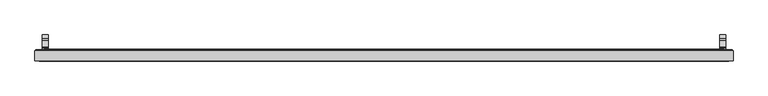
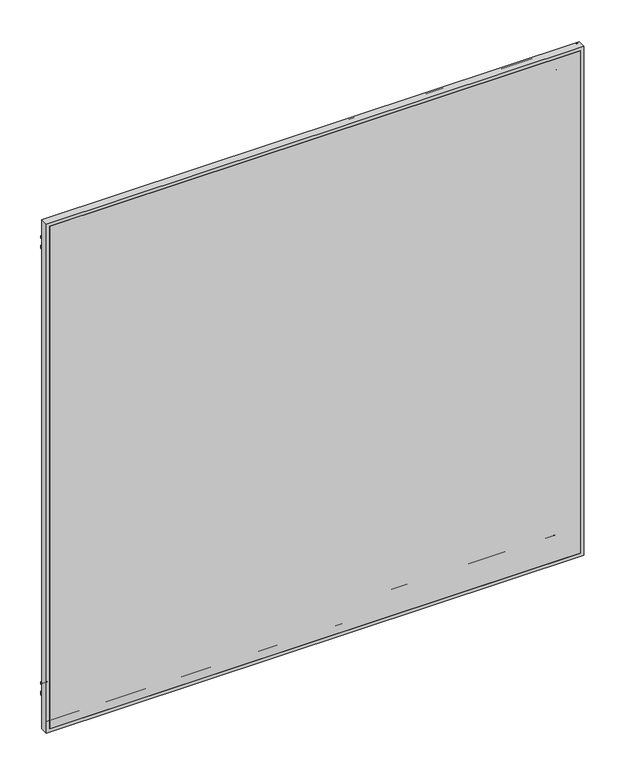
"""IFC4 building model written with IfcOpenShell, lengths in millimetres: proxy geometry."""

import ifcopenshell
import ifcopenshell.guid

model = None  # the IFC model being written
_history = None  # IfcOwnerHistory: only IFC2X3 demands one
_inside = {}  # id of a spatial element -> (the spatial element, [elements in it])
_under = {}  # id of a project, library or spatial element -> (it, [spatial elements below it])
_declared = {}  # id of a project -> (the project, [libraries it declares])
_typed = {}  # id of a type object -> (the type object, [elements of that type])
_made_of = {}  # id of a material, layer set ... -> (it, [elements and type objects made of it])


def new_model(schema):
    """Start an empty IFC model of exactly this schema.

    Asked for "IFC4X3", IfcOpenShell would pick the latest addendum, in which some entities
    have other attributes; the version numbers below select the first issue.
    IFC2X3 requires an IfcOwnerHistory on every rooted entity: one is made here for all.
    """
    global model, _history
    if schema == "IFC4X3":
        model = ifcopenshell.file(schema_version=(4, 3, 0, 0))
    else:
        model = ifcopenshell.file(schema=schema)
    _inside.clear()
    _under.clear()
    _declared.clear()
    _typed.clear()
    _made_of.clear()
    _history = None
    if model.schema == "IFC2X3":
        org = make("IfcOrganization", Name="unknown")
        user = make(
            "IfcPersonAndOrganization",
            ThePerson=make("IfcPerson", FamilyName="unknown"),
            TheOrganization=org,
        )
        app = make(
            "IfcApplication",
            ApplicationDeveloper=org,
            Version="unknown",
            ApplicationFullName="unknown",
            ApplicationIdentifier="unknown",
        )
        _history = make(
            "IfcOwnerHistory",
            OwningUser=user,
            OwningApplication=app,
            ChangeAction="ADDED",
            CreationDate=0,
        )
    return model


def make(cls, **values):
    """One entity of the class cls with the attributes given. An attribute that is None is left unset."""
    return model.create_entity(
        cls, **{name: value for name, value in values.items() if value is not None}
    )


def rooted(cls, **values):
    """An entity with a GlobalId (a new one), such as an element, a storey or a relation."""
    return make(cls, GlobalId=ifcopenshell.guid.new(), OwnerHistory=_history, **values)


def si_unit(unit_type, name, prefix=None):
    """IfcSIUnit, for example si_unit("LENGTHUNIT", "METRE", prefix="MILLI")."""
    return make("IfcSIUnit", UnitType=unit_type, Prefix=prefix, Name=name)


def assignment(units):
    """IfcUnitAssignment: the units of a project."""
    return None if units is None else make("IfcUnitAssignment", Units=units)


def point(xyz):
    """IfcCartesianPoint."""
    return None if xyz is None else make("IfcCartesianPoint", Coordinates=xyz)


def direction(xyz):
    """IfcDirection."""
    return None if xyz is None else make("IfcDirection", DirectionRatios=xyz)


def frame(location, z_axis=None, x_axis=None):
    """IfcAxis2Placement3D, a coordinate frame: its origin and axes. An axis left out is left unset."""
    return make(
        "IfcAxis2Placement3D",
        Location=point(location),
        Axis=direction(z_axis),
        RefDirection=direction(x_axis),
    )


def frame_2d(location, x_axis=None):
    """IfcAxis2Placement2D, a coordinate frame in the plane: its origin and x axis."""
    return make(
        "IfcAxis2Placement2D", Location=point(location), RefDirection=direction(x_axis)
    )


def origin():
    """The frame at (0, 0, 0) with its axes left unset."""
    return frame((0.0, 0.0, 0.0))


def place(relative_to, where):
    """IfcLocalPlacement: puts the frame where relative to a parent placement (None: the world)."""
    return make(
        "IfcLocalPlacement", PlacementRelTo=relative_to, RelativePlacement=where
    )


def context(
    kind, dimensions, precision=None, world=None, true_north=None, identifier=None
):
    """IfcGeometricRepresentationContext, for example the 3D "Model" context."""
    return make(
        "IfcGeometricRepresentationContext",
        ContextIdentifier=identifier,
        ContextType=kind,
        CoordinateSpaceDimension=dimensions,
        Precision=precision,
        WorldCoordinateSystem=world,
        TrueNorth=true_north,
    )


def project(units=None, contexts=None):
    """IfcProject with its units and contexts."""
    return rooted(
        "IfcProject",
        Name="project",
        RepresentationContexts=contexts,
        UnitsInContext=assignment(units),
    )


def spatial(cls, under=None, at=None, **own):
    """A site, building, storey or space (cls), placed at a placement, below another one or the project."""
    s = rooted(cls, ObjectPlacement=at, **own)
    if under is not None:
        _under.setdefault(under.id(), (under, []))[1].append(s)
    return s


def polyline(points):
    """IfcPolyline through the points."""
    return make("IfcPolyline", Points=[point(p) for p in points])


def circle_curve(where, radius):
    """IfcCircle in the frame where."""
    return make("IfcCircle", Position=where, Radius=radius)


def ellipse_curve(where, semi_axis1, semi_axis2):
    """IfcEllipse in the frame where."""
    return make(
        "IfcEllipse", Position=where, SemiAxis1=semi_axis1, SemiAxis2=semi_axis2
    )


def trimmed(basis, trim1, trim2, sense, master):
    """IfcTrimmedCurve: the piece of a basis curve between two trims."""
    return make(
        "IfcTrimmedCurve",
        BasisCurve=basis,
        Trim1=trim1,
        Trim2=trim2,
        SenseAgreement=sense,
        MasterRepresentation=master,
    )


def segment(curve, same_sense, transition):
    """IfcCompositeCurveSegment."""
    return make(
        "IfcCompositeCurveSegment",
        Transition=transition,
        SameSense=same_sense,
        ParentCurve=curve,
    )


def composite_curve(segments, self_intersect=None):
    """IfcCompositeCurve: segments joined end to end."""
    return make("IfcCompositeCurve", Segments=segments, SelfIntersect=self_intersect)


def outline(outer, holes=None, kind="AREA"):
    """IfcArbitraryClosedProfileDef: a profile drawn as a closed curve; with holes, ...WithVoids."""
    if holes is None:
        return make("IfcArbitraryClosedProfileDef", ProfileType=kind, OuterCurve=outer)
    return make(
        "IfcArbitraryProfileDefWithVoids",
        ProfileType=kind,
        OuterCurve=outer,
        InnerCurves=holes,
    )


def extrude(swept, where, along, depth):
    """IfcExtrudedAreaSolid: the profile swept, set in the frame where, extruded along a direction by depth."""
    return make(
        "IfcExtrudedAreaSolid",
        SweptArea=swept,
        Position=where,
        ExtrudedDirection=direction(along),
        Depth=depth,
    )


def shape(context_of_items, identifier, shape_type, items):
    """IfcShapeRepresentation: the items that make up one representation, for example the "Body"."""
    return make(
        "IfcShapeRepresentation",
        ContextOfItems=context_of_items,
        RepresentationIdentifier=identifier,
        RepresentationType=shape_type,
        Items=items,
    )


def source(mapping_origin, context_of_items, identifier, shape_type, items):
    """IfcRepresentationMap: a shape defined once, which mapped items show again and again."""
    return make(
        "IfcRepresentationMap",
        MappingOrigin=mapping_origin,
        MappedRepresentation=shape(context_of_items, identifier, shape_type, items),
    )


def transform(
    local_origin,
    x_axis=None,
    y_axis=None,
    z_axis=None,
    scale=None,
    scale2=None,
    scale3=None,
    uniform=True,
):
    """IfcCartesianTransformationOperator3D, or its non-uniform kind. x_axis, y_axis, z_axis: its Axis1, 2, 3."""
    if uniform:
        return make(
            "IfcCartesianTransformationOperator3D",
            Axis1=direction(x_axis),
            Axis2=direction(y_axis),
            LocalOrigin=point(local_origin),
            Scale=scale,
            Axis3=direction(z_axis),
        )
    return make(
        "IfcCartesianTransformationOperator3DnonUniform",
        Axis1=direction(x_axis),
        Axis2=direction(y_axis),
        LocalOrigin=point(local_origin),
        Scale=scale,
        Axis3=direction(z_axis),
        Scale2=scale2,
        Scale3=scale3,
    )


def mapped(mapping_source, mapping_target):
    """IfcMappedItem: shows the shape of a source again, moved by a transform."""
    return make(
        "IfcMappedItem", MappingSource=mapping_source, MappingTarget=mapping_target
    )


def made_of(thing, what):
    """Note that an element or type object is made of a material, layer set ...; save() writes the relation."""
    if what is not None:
        _made_of.setdefault(what.id(), (what, []))[1].append(thing)
    return thing


def element(
    cls,
    number,
    at=None,
    inside=None,
    cuts=None,
    type_object=None,
    material=None,
    context=None,
    identifier="Body",
    shape_type=None,
    held_by="IfcProductDefinitionShape",
    body=None,
    shapes=None,
    **own,
):
    """One element of the class cls, such as IfcWall. Its Tag is "e" and its number.

    at: its placement. inside: the storey or other place that contains it. cuts: it is an
    opening in that element (IfcRelVoidsElement). A single representation is given by context,
    identifier, shape_type and body (its items); several are given by shapes. held_by: the class
    of the entity that holds the representations. save() writes the other relations.
    """
    e = rooted(cls, Tag="e%d" % number, ObjectPlacement=at, **own)
    if body is not None:
        shapes = [shape(context, identifier, shape_type, body)]
    if shapes is not None:
        e.Representation = make(held_by, Representations=shapes)
    if inside is not None:
        _inside.setdefault(inside.id(), (inside, []))[1].append(e)
    if cuts is not None:
        rooted(
            "IfcRelVoidsElement", RelatingBuildingElement=cuts, RelatedOpeningElement=e
        )
    if type_object is not None:
        _typed.setdefault(type_object.id(), (type_object, []))[1].append(e)
    return made_of(e, material)


def aggregate(whole, parts):
    """IfcRelAggregates: a whole, such as a stair, and the parts it consists of."""
    return rooted("IfcRelAggregates", RelatingObject=whole, RelatedObjects=parts)


def save(model, path):
    """Write the relations noted so far, then the file.

    IfcRelAggregates (storeys below a building ...), IfcRelContainedInSpatialStructure (elements
    in a storey), IfcRelDefinesByType, IfcRelAssociatesMaterial and IfcRelDeclares: one each for
    every whole, place, type object, material and project.
    """
    for whole, parts in _under.values():
        aggregate(whole, parts)
    for where, things in _inside.values():
        rooted(
            "IfcRelContainedInSpatialStructure",
            RelatedElements=things,
            RelatingStructure=where,
        )
    for kind, things in _typed.values():
        rooted("IfcRelDefinesByType", RelatedObjects=things, RelatingType=kind)
    for what, things in _made_of.values():
        rooted("IfcRelAssociatesMaterial", RelatedObjects=things, RelatingMaterial=what)
    for by, libraries in _declared.values():
        rooted("IfcRelDeclares", RelatingContext=by, RelatedDefinitions=libraries)
    model.write(path)


def plane_surface(at):
    """IfcPlane: the flat surface through the origin of the frame at, square to its z axis."""
    return make("IfcPlane", Position=at)


def cylinder_surface(at, radius):
    """IfcCylindricalSurface: all points at the distance radius from the z axis of the frame at."""
    return make("IfcCylindricalSurface", Position=at, Radius=radius)


def advanced_brep(points, edges, surfaces, faces):
    """IfcAdvancedBrep: a solid bounded by faces that lie on surfaces and meet in shared edges.

    An edge is (start, end): straight between two places in points (the first is 0);
    or (start, end, curve); or (start, end, curve, False) where it runs against its curve.
    A face is (place in surfaces, loops), or (place, loops, False) where it looks against
    its surface's normal. A loop lists edges by number (the first is 1), with a minus sign
    where the edge is run from its end to its start. The first loop is the outer one.
    """
    corners = [point(p) for p in points]
    vertices = [make("IfcVertexPoint", VertexGeometry=c) for c in corners]
    made = []
    for start, end, *more in edges:
        made.append(
            make(
                "IfcEdgeCurve",
                EdgeStart=vertices[start],
                EdgeEnd=vertices[end],
                EdgeGeometry=more[0] if more else make("IfcPolyline", Points=[corners[start], corners[end]]),
                SameSense=more[1] if len(more) > 1 else True,
            )
        )
    hull = []
    for where, loops, *sense in faces:
        bounds = []
        for j, loop in enumerate(loops):
            ring = [make("IfcOrientedEdge", EdgeElement=made[abs(k) - 1], Orientation=k > 0) for k in loop]
            bounds.append(
                make(
                    "IfcFaceOuterBound" if j == 0 else "IfcFaceBound",
                    Bound=make("IfcEdgeLoop", EdgeList=ring),
                    Orientation=True,
                )
            )
        hull.append(make("IfcAdvancedFace", Bounds=bounds, FaceSurface=surfaces[where], SameSense=sense[0] if sense else True))
    return make("IfcAdvancedBrep", Outer=make("IfcClosedShell", CfsFaces=hull))


def specialty_equipment_e93b055d(model_context):
    return source(origin(), model_context, "Body", "SolidModel", [
        advanced_brep(
        [(-635.4468785, -9.1390123, 46.5862514), (473.8943035, -9.1390123, 46.5862514), (474.1637112, -8.26542, 46.3168437), (-635.7162862, -8.26542, 46.3168437), (-636.6206938, -10.3128277, 45.412436), (475.0681189, -10.3128277, 45.412436), (-629.5340938, -9.1390123, 52.499036), (467.9815189, -9.1390123, 52.499036), (466.8077035, -10.3128277, 53.6728514), (-628.3602785, -10.3128277, 53.6728514), (-629.2646862, -8.26542, 52.7684437), (467.7121112, -8.26542, 52.7684437), (-612.9832862, -9.40842, 69.0498437), (451.4307112, -9.40842, 69.0498437), (452.1927112, -8.26542, 68.2878437), (-613.7452862, -8.26542, 68.2878437), (-600.6642862, -16.52042, 81.3688437), (439.1117112, -16.52042, 81.3688437), (439.1117112, -9.40842, 81.3688437), (-600.6642862, -9.40842, 81.3688437), (-684.5224425, -9.78942, -2.4893126), (522.9698675, -9.78942, -2.4893126), (522.9698675, -27.57958, -2.4893126), (-684.5224425, -27.57958, -2.4893126), (-682.9984425, -8.26542, -0.9653126), (521.4458675, -8.26542, -0.9653126), (-680.9510348, -9.1390123, 1.082095), (519.3984598, -9.1390123, 1.082095), (519.6678675, -8.26542, 0.8126874), (-681.2204425, -8.26542, 0.8126874), (-682.1248502, -10.3128277, -0.0917203), (520.5722752, -10.3128277, -0.0917203), (-672.2060938, -9.1390123, 9.827036), (510.6535189, -9.1390123, 9.827036), (509.4797035, -10.3128277, 11.0008514), (-671.0322785, -10.3128277, 11.0008514), (-671.9366862, -8.26542, 10.0964437), (510.3841112, -8.26542, 10.0964437), (-667.0471862, -8.26542, 14.9859437), (505.4946112, -8.26542, 14.9859437), (507.0186112, -8.26542, 13.4619437), (-668.5711862, -8.26542, 13.4619437), (-661.0781862, -8.26542, 20.9549437), (499.5256112, -8.26542, 20.9549437), (501.9386112, -8.26542, 18.5419437), (-663.4911862, -8.26542, 18.5419437), (473.8943035, -9.1390123, 1157.424436), (474.1637112, -8.26542, 1157.6938437), (475.0681189, -10.3128277, 1158.5982514), (467.9815189, -9.1390123, 1151.5116514), (466.8077035, -10.3128277, 1150.337836), (467.7121112, -8.26542, 1151.2422437), (451.4307112, -9.40842, 1134.9608437), (452.1927112, -8.26542, 1135.7228437), (439.1117112, -16.52042, 1122.6418437), (439.1117112, -9.40842, 1122.6418437), (522.9698675, -9.78942, 1206.5), (522.9698675, -27.57958, 1206.5), (521.4458675, -8.26542, 1204.976), (519.3984598, -9.1390123, 1202.9285923), (519.6678675, -8.26542, 1203.198), (520.5722752, -10.3128277, 1204.1024077), (510.6535189, -9.1390123, 1194.1836514), (509.4797035, -10.3128277, 1193.009836), (510.3841112, -8.26542, 1193.9142437), (505.4946112, -8.26542, 1189.0247437), (507.0186112, -8.26542, 1190.5487437), (499.5256112, -8.26542, 1183.0557437), (501.9386112, -8.26542, 1185.4687437), (-635.4468785, -9.1390123, 1157.424436), (-635.7162862, -8.26542, 1157.6938437), (-636.6206938, -10.3128277, 1158.5982514), (-629.5340938, -9.1390123, 1151.5116514), (-628.3602785, -10.3128277, 1150.337836), (-629.2646862, -8.26542, 1151.2422437), (-612.9832862, -9.40842, 1134.9608437), (-613.7452862, -8.26542, 1135.7228437), (-600.6642862, -16.52042, 1122.6418437), (-600.6642862, -9.40842, 1122.6418437), (-684.5224425, -9.78942, 1206.5), (-684.5224425, -27.57958, 1206.5), (-682.9984425, -8.26542, 1204.976), (-680.9510348, -9.1390123, 1202.9285923), (-681.2204425, -8.26542, 1203.198), (-682.1248502, -10.3128277, 1204.1024077), (-672.2060938, -9.1390123, 1194.1836514), (-671.0322785, -10.3128277, 1193.009836), (-671.9366862, -8.26542, 1193.9142437), (-667.0471862, -8.26542, 1189.0247437), (-668.5711862, -8.26542, 1190.5487437), (-661.0781862, -8.26542, 1183.0557437), (-663.4911862, -8.26542, 1185.4687437), (-677.1564425, -27.57958, 4.8766874), (515.6038675, -27.57958, 4.8766874), (515.6038675, -16.52042, 4.8766874), (-677.1564425, -16.52042, 4.8766874), (515.6038675, -27.57958, 1199.134), (515.6038675, -16.52042, 1199.134), (-677.1564425, -27.57958, 1199.134), (-677.1564425, -16.52042, 1199.134)],
        [
            (0, 1),
            (1, 2, ellipse_curve(frame((474.2598958, -8.77342, 46.220659), z_axis=(-0.7071067811865475, 0.0, -0.7071067811865475), x_axis=(-0.7071067811865476, 0.0, 0.7071067811865474)), 0.7311846, 0.5170256)),
            (2, 3),
            (3, 0, ellipse_curve(frame((-635.8124708, -8.77342, 46.220659), z_axis=(0.7071067811865475, 0.0, -0.7071067811865475), x_axis=(-0.7071067811865476, 0.0, -0.7071067811865474)), 0.7311846, 0.5170256)),
            (4, 5),
            (5, 1),
            (0, 4),
            (6, 7),
            (7, 8),
            (8, 9),
            (9, 6),
            (10, 11),
            (11, 7, ellipse_curve(frame((467.6159265, -8.77342, 52.8646283), z_axis=(-0.7071067811865475, 0.0, -0.7071067811865475), x_axis=(-0.7071067811865476, 0.0, 0.7071067811865474)), 0.7311846, 0.5170256)),
            (6, 10, ellipse_curve(frame((-629.1685015, -8.77342, 52.8646283), z_axis=(0.7071067811865475, 0.0, -0.7071067811865475), x_axis=(-0.7071067811865476, 0.0, -0.7071067811865474)), 0.7311846, 0.5170256)),
            (12, 13),
            (13, 14),
            (14, 15),
            (15, 12),
            (16, 17),
            (17, 18),
            (18, 19),
            (19, 16),
            (20, 21),
            (21, 22),
            (22, 23),
            (23, 20),
            (24, 25),
            (25, 21),
            (20, 24),
            (26, 27),
            (27, 28, ellipse_curve(frame((519.7640521, -8.77342, 0.7165027), z_axis=(-0.7071067811865475, 0.0, -0.7071067811865475), x_axis=(-0.7071067811865476, 0.0, 0.7071067811865474)), 0.7311846, 0.5170256)),
            (28, 29),
            (29, 26, ellipse_curve(frame((-681.3166271, -8.77342, 0.7165027), z_axis=(0.7071067811865475, 0.0, -0.7071067811865475), x_axis=(-0.7071067811865476, 0.0, -0.7071067811865474)), 0.7311846, 0.5170256)),
            (30, 31),
            (31, 27),
            (26, 30),
            (32, 33),
            (33, 34),
            (34, 35),
            (35, 32),
            (36, 37),
            (37, 33, ellipse_curve(frame((510.2879265, -8.77342, 10.1926283), z_axis=(-0.7071067811865475, 0.0, -0.7071067811865475), x_axis=(-0.7071067811865476, 0.0, 0.7071067811865474)), 0.7311846, 0.5170256)),
            (32, 36, ellipse_curve(frame((-671.8405015, -8.77342, 10.1926283), z_axis=(0.7071067811865475, 0.0, -0.7071067811865475), x_axis=(-0.7071067811865476, 0.0, -0.7071067811865474)), 0.7311846, 0.5170256)),
            (38, 39),
            (39, 40, ellipse_curve(frame((506.2566112, -8.26542, 14.2239437), z_axis=(-0.7071067811865475, 0.0, -0.7071067811865475), x_axis=(-0.7071067811865476, 0.0, 0.7071067811865474)), 1.0776307, 0.762)),
            (40, 41),
            (41, 38, ellipse_curve(frame((-667.8091862, -8.26542, 14.2239437), z_axis=(0.7071067811865475, 0.0, -0.7071067811865475), x_axis=(-0.7071067811865476, 0.0, -0.7071067811865474)), 1.0776307, 0.762)),
            (42, 43),
            (43, 44, ellipse_curve(frame((500.7321112, -8.9837931, 19.7484437), z_axis=(-0.7071067811865475, 0.0, -0.7071067811865475), x_axis=(-0.7071067811865476, 0.0, 0.7071067811865474)), 1.9858007, 1.4041731)),
            (44, 45),
            (45, 42, ellipse_curve(frame((-662.2846862, -8.9837931, 19.7484437), z_axis=(0.7071067811865475, 0.0, -0.7071067811865475), x_axis=(-0.7071067811865476, 0.0, -0.7071067811865474)), 1.9858007, 1.4041731)),
            (1, 46),
            (46, 47, ellipse_curve(frame((474.2598958, -8.77342, 1157.7900283), z_axis=(0.7071067811865475, 0.0, -0.7071067811865475), x_axis=(-0.7071067811865474, 0.0, -0.7071067811865476)), 0.7311846, 0.5170256)),
            (47, 2),
            (5, 48),
            (48, 46),
            (7, 49),
            (49, 50),
            (50, 8),
            (11, 51),
            (51, 49, ellipse_curve(frame((467.6159265, -8.77342, 1151.146059), z_axis=(0.7071067811865475, 0.0, -0.7071067811865475), x_axis=(-0.7071067811865474, 0.0, -0.7071067811865476)), 0.7311846, 0.5170256)),
            (13, 52),
            (52, 53),
            (53, 14),
            (17, 54),
            (54, 55),
            (55, 18),
            (21, 56),
            (56, 57),
            (57, 22),
            (25, 58),
            (58, 56),
            (27, 59),
            (59, 60, ellipse_curve(frame((519.7640521, -8.77342, 1203.2941846), z_axis=(0.7071067811865475, 0.0, -0.7071067811865475), x_axis=(-0.7071067811865474, 0.0, -0.7071067811865476)), 0.7311846, 0.5170256)),
            (60, 28),
            (31, 61),
            (61, 59),
            (33, 62),
            (62, 63),
            (63, 34),
            (37, 64),
            (64, 62, ellipse_curve(frame((510.2879265, -8.77342, 1193.818059), z_axis=(0.7071067811865475, 0.0, -0.7071067811865475), x_axis=(-0.7071067811865474, 0.0, -0.7071067811865476)), 0.7311846, 0.5170256)),
            (39, 65),
            (65, 66, ellipse_curve(frame((506.2566112, -8.26542, 1189.7867437), z_axis=(0.7071067811865475, 0.0, -0.7071067811865475), x_axis=(-0.7071067811865474, 0.0, -0.7071067811865476)), 1.0776307, 0.762)),
            (66, 40),
            (43, 67),
            (67, 68, ellipse_curve(frame((500.7321112, -8.9837931, 1184.2622437), z_axis=(0.7071067811865475, 0.0, -0.7071067811865475), x_axis=(-0.7071067811865474, 0.0, -0.7071067811865476)), 1.9858007, 1.4041731)),
            (68, 44),
            (46, 69),
            (69, 70, ellipse_curve(frame((-635.8124708, -8.77342, 1157.7900283), z_axis=(0.7071067811865475, 0.0, 0.7071067811865475), x_axis=(0.7071067811865476, 0.0, -0.7071067811865474)), 0.7311846, 0.5170256)),
            (70, 47),
            (48, 71),
            (71, 69),
            (49, 72),
            (72, 73),
            (73, 50),
            (51, 74),
            (74, 72, ellipse_curve(frame((-629.1685015, -8.77342, 1151.146059), z_axis=(0.7071067811865475, 0.0, 0.7071067811865475), x_axis=(0.7071067811865476, 0.0, -0.7071067811865474)), 0.7311846, 0.5170256)),
            (52, 75),
            (75, 76),
            (76, 53),
            (54, 77),
            (77, 78),
            (78, 55),
            (56, 79),
            (79, 80),
            (80, 57),
            (58, 81),
            (81, 79),
            (59, 82),
            (82, 83, ellipse_curve(frame((-681.3166271, -8.77342, 1203.2941846), z_axis=(0.7071067811865475, 0.0, 0.7071067811865475), x_axis=(0.7071067811865476, 0.0, -0.7071067811865474)), 0.7311846, 0.5170256)),
            (83, 60),
            (61, 84),
            (84, 82),
            (62, 85),
            (85, 86),
            (86, 63),
            (64, 87),
            (87, 85, ellipse_curve(frame((-671.8405015, -8.77342, 1193.818059), z_axis=(0.7071067811865475, 0.0, 0.7071067811865475), x_axis=(0.7071067811865476, 0.0, -0.7071067811865474)), 0.7311846, 0.5170256)),
            (65, 88),
            (88, 89, ellipse_curve(frame((-667.8091862, -8.26542, 1189.7867437), z_axis=(0.7071067811865475, 0.0, 0.7071067811865475), x_axis=(0.7071067811865476, 0.0, -0.7071067811865474)), 1.0776307, 0.762)),
            (89, 66),
            (67, 90),
            (90, 91, ellipse_curve(frame((-662.2846862, -8.9837931, 1184.2622437), z_axis=(0.7071067811865475, 0.0, 0.7071067811865475), x_axis=(0.7071067811865476, 0.0, -0.7071067811865474)), 1.9858007, 1.4041731)),
            (91, 68),
            (42, 90),
            (70, 3),
            (69, 0),
            (71, 4),
            (73, 9),
            (72, 6),
            (74, 10),
            (76, 15),
            (75, 12),
            (78, 19),
            (77, 16),
            (79, 20),
            (23, 80),
            (81, 24),
            (83, 29),
            (82, 26),
            (84, 30),
            (86, 35),
            (85, 32),
            (87, 36),
            (89, 41),
            (88, 38),
            (91, 45),
            (92, 93),
            (93, 94),
            (94, 95),
            (95, 92),
            (93, 96),
            (96, 97),
            (97, 94),
            (96, 98),
            (98, 99),
            (99, 97),
            (99, 95),
            (98, 92),
        ],
        [
            cylinder_surface(frame((-600.6642862, -8.77342, 46.220659), z_axis=(-1.0, 0.0, 0.0), x_axis=(0.0, 0.0, 1.0)), 0.5170256),
            plane_surface(frame((-635.4468785, -9.1390123, 46.5862514), z_axis=(0.0, -0.7071067813015153, 0.7071067810715799), x_axis=(1.0, 0.0, 0.0))),
            plane_surface(frame((-628.3602785, -10.3128277, 53.6728514), z_axis=(0.0, -0.7071067813016508, -0.7071067810714443), x_axis=(1.0, 0.0, 0.0))),
            cylinder_surface(frame((-600.6642862, -8.77342, 52.8646283), z_axis=(-1.0, 0.0, 0.0), x_axis=(0.0, 0.0, 1.0)), 0.5170256),
            plane_surface(frame((-613.7452862, -8.26542, 68.2878437), z_axis=(0.0, 0.55470019597669, 0.8320502945035365), x_axis=(1.0, 0.0, 0.0))),
            plane_surface(frame((-600.6642862, -9.40842, 81.3688437), z_axis=(0.0, 0.0, 1.0), x_axis=(1.0, 0.0, 0.0))),
            plane_surface(frame((-684.5224425, -27.57958, -2.4893126), z_axis=(0.0, 0.0, -1.0), x_axis=(1.0, 0.0, 0.0))),
            plane_surface(frame((-684.5224425, -9.78942, -2.4893126), z_axis=(0.0, 0.7071067810149522, -0.7071067813581429), x_axis=(1.0, 0.0, 0.0))),
            cylinder_surface(frame((-600.6642862, -8.77342, 0.7165027), z_axis=(-1.0, 0.0, 0.0), x_axis=(0.0, 0.0, 1.0)), 0.5170256),
            plane_surface(frame((-680.9510348, -9.1390123, 1.082095), z_axis=(0.0, -0.7071067811139136, 0.7071067812591816), x_axis=(1.0, 0.0, 0.0))),
            plane_surface(frame((-671.0322785, -10.3128277, 11.0008514), z_axis=(0.0, -0.707106781188025, -0.7071067811850702), x_axis=(1.0, 0.0, 0.0))),
            cylinder_surface(frame((-600.6642862, -8.77342, 10.1926283), z_axis=(-1.0, 0.0, 0.0), x_axis=(0.0, 0.0, 1.0)), 0.5170256),
            cylinder_surface(frame((-600.6642862, -8.26542, 14.2239437), z_axis=(-1.0, 0.0, 0.0), x_axis=(0.0, 0.0, 1.0)), 0.762),
            cylinder_surface(frame((-600.6642862, -8.9837931, 19.7484437), z_axis=(-1.0, 0.0, 0.0), x_axis=(0.0, 0.0, 1.0)), 1.4041731),
            cylinder_surface(frame((474.2598958, -8.77342, 81.3688437), z_axis=(0.0, 0.0, -1.0), x_axis=(-1.0, 0.0, 0.0)), 0.5170256),
            plane_surface(frame((473.8943035, -9.1390123, 46.5862514), z_axis=(-0.7071067810715701, -0.707106781301525, 0.0), x_axis=(0.0, 0.0, 1.0))),
            plane_surface(frame((466.8077035, -10.3128277, 53.6728514), z_axis=(0.7071067810714541, -0.7071067813016411, 0.0), x_axis=(0.0, 0.0, 1.0))),
            cylinder_surface(frame((467.6159265, -8.77342, 81.3688437), z_axis=(0.0, 0.0, -1.0), x_axis=(-1.0, 0.0, 0.0)), 0.5170256),
            plane_surface(frame((452.1927112, -8.26542, 68.2878437), z_axis=(-0.8320502945035442, 0.5547001959766784, 0.0), x_axis=(0.0, 0.0, 1.0))),
            plane_surface(frame((439.1117112, -9.40842, 81.3688437), z_axis=(-1.0, 0.0, 0.0), x_axis=(0.0, 0.0, 1.0))),
            plane_surface(frame((522.9698675, -27.57958, -2.4893126), z_axis=(1.0, 0.0, 0.0), x_axis=(0.0, 0.0, 1.0))),
            plane_surface(frame((522.9698675, -9.78942, -2.4893126), z_axis=(0.7071067813581331, 0.7071067810149619, 0.0), x_axis=(0.0, 0.0, 1.0))),
            cylinder_surface(frame((519.7640521, -8.77342, 81.3688437), z_axis=(0.0, 0.0, -1.0), x_axis=(-1.0, 0.0, 0.0)), 0.5170256),
            plane_surface(frame((519.3984598, -9.1390123, 1.082095), z_axis=(-0.7071067812591718, -0.7071067811139233, 0.0), x_axis=(0.0, 0.0, 1.0))),
            plane_surface(frame((509.4797035, -10.3128277, 11.0008514), z_axis=(0.70710678118508, -0.7071067811880152, 0.0), x_axis=(0.0, 0.0, 1.0))),
            cylinder_surface(frame((510.2879265, -8.77342, 81.3688437), z_axis=(0.0, 0.0, -1.0), x_axis=(-1.0, 0.0, 0.0)), 0.5170256),
            cylinder_surface(frame((506.2566112, -8.26542, 81.3688437), z_axis=(0.0, 0.0, -1.0), x_axis=(-1.0, 0.0, 0.0)), 0.762),
            cylinder_surface(frame((500.7321112, -8.9837931, 81.3688437), z_axis=(0.0, 0.0, -1.0), x_axis=(-1.0, 0.0, 0.0)), 1.4041731),
            cylinder_surface(frame((439.1117112, -8.77342, 1157.7900283), z_axis=(1.0, 0.0, 0.0), x_axis=(0.0, 0.0, -1.0)), 0.5170256),
            plane_surface(frame((473.8943035, -9.1390123, 1157.424436), z_axis=(0.0, -0.7071067813015348, -0.7071067810715603), x_axis=(-1.0, 0.0, 0.0))),
            plane_surface(frame((466.8077035, -10.3128277, 1150.337836), z_axis=(0.0, -0.7071067813016313, 0.7071067810714639), x_axis=(-1.0, 0.0, 0.0))),
            cylinder_surface(frame((439.1117112, -8.77342, 1151.146059), z_axis=(1.0, 0.0, 0.0), x_axis=(0.0, 0.0, -1.0)), 0.5170256),
            plane_surface(frame((452.1927112, -8.26542, 1135.7228437), z_axis=(0.0, 0.5547001959766669, -0.8320502945035518), x_axis=(-1.0, 0.0, 0.0))),
            plane_surface(frame((439.1117112, -9.40842, 1122.6418437), z_axis=(0.0, 0.0, -1.0), x_axis=(-1.0, 0.0, 0.0))),
            plane_surface(frame((522.9698675, -27.57958, 1206.5), z_axis=(0.0, 0.0, 1.0), x_axis=(-1.0, 0.0, 0.0))),
            plane_surface(frame((522.9698675, -9.78942, 1206.5), z_axis=(0.0, 0.7071067810149717, 0.7071067813581233), x_axis=(-1.0, 0.0, 0.0))),
            cylinder_surface(frame((439.1117112, -8.77342, 1203.2941846), z_axis=(1.0, 0.0, 0.0), x_axis=(0.0, 0.0, -1.0)), 0.5170256),
            plane_surface(frame((519.3984598, -9.1390123, 1202.9285923), z_axis=(0.0, -0.7071067811139331, -0.707106781259162), x_axis=(-1.0, 0.0, 0.0))),
            plane_surface(frame((509.4797035, -10.3128277, 1193.009836), z_axis=(0.0, -0.7071067811880054, 0.7071067811850897), x_axis=(-1.0, 0.0, 0.0))),
            cylinder_surface(frame((439.1117112, -8.77342, 1193.818059), z_axis=(1.0, 0.0, 0.0), x_axis=(0.0, 0.0, -1.0)), 0.5170256),
            cylinder_surface(frame((439.1117112, -8.26542, 1189.7867437), z_axis=(1.0, 0.0, 0.0), x_axis=(0.0, 0.0, -1.0)), 0.762),
            cylinder_surface(frame((439.1117112, -8.9837931, 1184.2622437), z_axis=(1.0, 0.0, 0.0), x_axis=(0.0, 0.0, -1.0)), 1.4041731),
            plane_surface(frame((-661.0781862, -8.26542, 1183.0557437), z_axis=(0.0, 1.0, 0.0), x_axis=(0.0, 0.0, -1.0))),
            cylinder_surface(frame((-635.8124708, -8.77342, 1122.6418437), z_axis=(0.0, 0.0, 1.0), x_axis=(1.0, 0.0, 0.0)), 0.5170256),
            plane_surface(frame((-635.4468785, -9.1390123, 1157.424436), z_axis=(0.7071067810715701, -0.707106781301525, 0.0), x_axis=(0.0, 0.0, -1.0))),
            plane_surface(frame((-636.6206938, -10.3128277, 1158.5982514), z_axis=(0.0, 1.0, 0.0), x_axis=(0.0, 0.0, -1.0))),
            plane_surface(frame((-628.3602785, -10.3128277, 1150.337836), z_axis=(-0.7071067810714541, -0.7071067813016411, 0.0), x_axis=(0.0, 0.0, -1.0))),
            cylinder_surface(frame((-629.1685015, -8.77342, 1122.6418437), z_axis=(0.0, 0.0, 1.0), x_axis=(1.0, 0.0, 0.0)), 0.5170256),
            plane_surface(frame((-629.2646862, -8.26542, 1151.2422437), z_axis=(0.0, 1.0, 0.0), x_axis=(0.0, 0.0, -1.0))),
            plane_surface(frame((-613.7452862, -8.26542, 1135.7228437), z_axis=(0.8320502945035442, 0.5547001959766784, 0.0), x_axis=(0.0, 0.0, -1.0))),
            plane_surface(frame((-612.9832862, -9.40842, 1134.9608437), z_axis=(0.0, 1.0, 0.0), x_axis=(0.0, 0.0, -1.0))),
            plane_surface(frame((-600.6642862, -9.40842, 1122.6418437), z_axis=(1.0, 0.0, 0.0), x_axis=(0.0, 0.0, -1.0))),
            plane_surface(frame((-684.5224425, -27.57958, 1206.5), z_axis=(-1.0, 0.0, 0.0), x_axis=(0.0, 0.0, -1.0))),
            plane_surface(frame((-684.5224425, -9.78942, 1206.5), z_axis=(-0.7071067813581331, 0.7071067810149619, 0.0), x_axis=(0.0, 0.0, -1.0))),
            plane_surface(frame((-682.9984425, -8.26542, 1204.976), z_axis=(0.0, 1.0, 0.0), x_axis=(0.0, 0.0, -1.0))),
            cylinder_surface(frame((-681.3166271, -8.77342, 1122.6418437), z_axis=(0.0, 0.0, 1.0), x_axis=(1.0, 0.0, 0.0)), 0.5170256),
            plane_surface(frame((-680.9510348, -9.1390123, 1202.9285923), z_axis=(0.7071067812591718, -0.7071067811139233, 0.0), x_axis=(0.0, 0.0, -1.0))),
            plane_surface(frame((-682.1248502, -10.3128277, 1204.1024077), z_axis=(0.0, 1.0, 0.0), x_axis=(0.0, 0.0, -1.0))),
            plane_surface(frame((-671.0322785, -10.3128277, 1193.009836), z_axis=(-0.70710678118508, -0.7071067811880152, 0.0), x_axis=(0.0, 0.0, -1.0))),
            cylinder_surface(frame((-671.8405015, -8.77342, 1122.6418437), z_axis=(0.0, 0.0, 1.0), x_axis=(1.0, 0.0, 0.0)), 0.5170256),
            plane_surface(frame((-671.9366862, -8.26542, 1193.9142437), z_axis=(0.0, 1.0, 0.0), x_axis=(0.0, 0.0, -1.0))),
            cylinder_surface(frame((-667.8091862, -8.26542, 1122.6418437), z_axis=(0.0, 0.0, 1.0), x_axis=(1.0, 0.0, 0.0)), 0.762),
            plane_surface(frame((-667.0471862, -8.26542, 1189.0247437), z_axis=(0.0, 1.0, 0.0), x_axis=(0.0, 0.0, -1.0))),
            cylinder_surface(frame((-662.2846862, -8.9837931, 1122.6418437), z_axis=(0.0, 0.0, 1.0), x_axis=(1.0, 0.0, 0.0)), 1.4041731),
            plane_surface(frame((-677.1564425, -16.52042, 4.8766874), z_axis=(0.0, 0.0, 1.0), x_axis=(1.0, 0.0, 0.0))),
            plane_surface(frame((515.6038675, -16.52042, 4.8766874), z_axis=(-1.0, 0.0, 0.0), x_axis=(0.0, 0.0, 1.0))),
            plane_surface(frame((515.6038675, -16.52042, 1199.134), z_axis=(0.0, 0.0, -1.0), x_axis=(-1.0, 0.0, 0.0))),
            plane_surface(frame((-600.6642862, -16.52042, 1122.6418437), z_axis=(0.0, -1.0, 0.0), x_axis=(0.0, 0.0, -1.0))),
            plane_surface(frame((-677.1564425, -16.52042, 1199.134), z_axis=(1.0, 0.0, 0.0), x_axis=(0.0, 0.0, -1.0))),
            plane_surface(frame((-677.1564425, -27.57958, 1199.134), z_axis=(0.0, -1.0, 0.0), x_axis=(0.0, 0.0, -1.0))),
        ],
        [
            (0, [[1, 2, 3, 4]]),
            (1, [[5, 6, -1, 7]]),
            (2, [[8, 9, 10, 11]]),
            (3, [[12, 13, -8, 14]]),
            (4, [[15, 16, 17, 18]]),
            (5, [[19, 20, 21, 22]]),
            (6, [[23, 24, 25, 26]]),
            (7, [[27, 28, -23, 29]]),
            (8, [[30, 31, 32, 33]]),
            (9, [[34, 35, -30, 36]]),
            (10, [[37, 38, 39, 40]]),
            (11, [[41, 42, -37, 43]]),
            (12, [[44, 45, 46, 47]]),
            (13, [[48, 49, 50, 51]]),
            (14, [[52, 53, 54, -2]]),
            (15, [[55, 56, -52, -6]]),
            (16, [[57, 58, 59, -9]]),
            (17, [[60, 61, -57, -13]]),
            (18, [[62, 63, 64, -16]]),
            (19, [[65, 66, 67, -20]]),
            (20, [[68, 69, 70, -24]]),
            (21, [[71, 72, -68, -28]]),
            (22, [[73, 74, 75, -31]]),
            (23, [[76, 77, -73, -35]]),
            (24, [[78, 79, 80, -38]]),
            (25, [[81, 82, -78, -42]]),
            (26, [[83, 84, 85, -45]]),
            (27, [[86, 87, 88, -49]]),
            (28, [[89, 90, 91, -53]]),
            (29, [[92, 93, -89, -56]]),
            (30, [[94, 95, 96, -58]]),
            (31, [[97, 98, -94, -61]]),
            (32, [[99, 100, 101, -63]]),
            (33, [[102, 103, 104, -66]]),
            (34, [[105, 106, 107, -69]]),
            (35, [[108, 109, -105, -72]]),
            (36, [[110, 111, 112, -74]]),
            (37, [[113, 114, -110, -77]]),
            (38, [[115, 116, 117, -79]]),
            (39, [[118, 119, -115, -82]]),
            (40, [[120, 121, 122, -84]]),
            (41, [[123, 124, 125, -87]]),
            (42, [[-48, 126, -123, -86], [-3, -54, -91, 127]]),
            (43, [[128, -4, -127, -90]]),
            (44, [[129, -7, -128, -93]]),
            (45, [[-5, -129, -92, -55], [-10, -59, -96, 130]]),
            (46, [[131, -11, -130, -95]]),
            (47, [[132, -14, -131, -98]]),
            (48, [[-12, -132, -97, -60], [-17, -64, -101, 133]]),
            (49, [[134, -18, -133, -100]]),
            (50, [[-15, -134, -99, -62], [-21, -67, -104, 135]]),
            (51, [[136, -22, -135, -103]]),
            (52, [[137, -26, 138, -106]]),
            (53, [[139, -29, -137, -109]]),
            (54, [[-27, -139, -108, -71], [-32, -75, -112, 140]]),
            (55, [[141, -33, -140, -111]]),
            (56, [[142, -36, -141, -114]]),
            (57, [[-34, -142, -113, -76], [-39, -80, -117, 143]]),
            (58, [[144, -40, -143, -116]]),
            (59, [[145, -43, -144, -119]]),
            (60, [[-41, -145, -118, -81], [-46, -85, -122, 146]]),
            (61, [[147, -47, -146, -121]]),
            (62, [[-44, -147, -120, -83], [-50, -88, -125, 148]]),
            (63, [[-126, -51, -148, -124]]),
            (64, [[149, 150, 151, 152]]),
            (65, [[153, 154, 155, -150]]),
            (66, [[156, 157, 158, -154]]),
            (67, [[-151, -155, -158, 159], [-19, -136, -102, -65]]),
            (68, [[160, -152, -159, -157]]),
            (69, [[-25, -70, -107, -138], [-149, -160, -156, -153]]),
        ],
    ),
        extrude(outline(composite_curve([segment(trimmed(circle_curve(frame_2d((2.969762, 1105.9622991)), 8.9999998), [point((8.6264069, 1112.962468))], [point((-2.6868829, 1112.962468))], True, "CARTESIAN"), True, "CONTINUOUS"), segment(polyline([(-2.6868829, 1112.962468), (-6.03022, 1112.962468), (-6.03022, 1096.264), (-9.02742, 1096.264), (-9.02742, 1170.6606), (-6.03022, 1170.6606), (-6.03022, 1153.962132), (-2.6868829, 1153.962132)]), True, "CONTINUOUS"), segment(trimmed(circle_curve(frame_2d((2.969762, 1160.9623009)), 8.9999998), [point((-2.6868829, 1153.962132))], [point((8.6264069, 1153.962132))], True, "CARTESIAN"), True, "CONTINUOUS"), segment(polyline([(8.6264069, 1153.962132), (11.464792, 1153.962132), (17.46478, 1147.962144), (17.46478, 1141.9623008), (3.517907, 1139.8916891)]), True, "CONTINUOUS"), segment(trimmed(circle_curve(frame_2d((4.4724412, 1133.4623)), 6.49986), [point((3.517907, 1139.8916891))], [point((3.517907, 1127.0329109))], True, "CARTESIAN"), True, "CONTINUOUS"), segment(polyline([(3.517907, 1127.0329109), (17.46478, 1124.9622992), (17.46478, 1118.962456), (11.464792, 1112.962468), (8.6264069, 1112.962468)]), True, "CONTINUOUS")], self_intersect=False), holes=[composite_curve([segment(trimmed(circle_curve(frame_2d((7.48258, 1119.9623)), 2.7813), [point((10.26388, 1119.9623))], [point((4.70128, 1119.9623))], True, "CARTESIAN"), True, "CONTINUOUS"), segment(trimmed(circle_curve(frame_2d((7.48258, 1119.9623)), 2.7813), [point((4.70128, 1119.9623))], [point((10.26388, 1119.9623))], True, "CARTESIAN"), True, "CONTINUOUS")], self_intersect=False), composite_curve([segment(trimmed(circle_curve(frame_2d((7.48258, 1146.9623)), 2.7813), [point((10.26388, 1146.9623))], [point((4.70128, 1146.9623))], True, "CARTESIAN"), True, "CONTINUOUS"), segment(trimmed(circle_curve(frame_2d((7.48258, 1146.9623)), 2.7813), [point((4.70128, 1146.9623))], [point((10.26388, 1146.9623))], True, "CARTESIAN"), True, "CONTINUOUS")], self_intersect=False)]), frame((499.9828112, 0.0, 0.0), z_axis=(1.0, 0.0, 0.0), x_axis=(0.0, 1.0, 0.0)), (0.0, 0.0, 1.0), 10.0076),
        extrude(outline(composite_curve([segment(trimmed(circle_curve(frame_2d((2.969762, 45.5376991)), 8.9999998), [point((8.6264069, 52.537868))], [point((-2.6868829, 52.537868))], True, "CARTESIAN"), True, "CONTINUOUS"), segment(polyline([(-2.6868829, 52.537868), (-6.03022, 52.537868), (-6.03022, 35.8394), (-9.02742, 35.8394), (-9.02742, 110.236), (-6.03022, 110.236), (-6.03022, 93.537532), (-2.6868829, 93.537532)]), True, "CONTINUOUS"), segment(trimmed(circle_curve(frame_2d((2.969762, 100.5377009)), 8.9999998), [point((-2.6868829, 93.537532))], [point((8.6264069, 93.537532))], True, "CARTESIAN"), True, "CONTINUOUS"), segment(polyline([(8.6264069, 93.537532), (11.464792, 93.537532), (17.46478, 87.537544), (17.46478, 81.5377008), (3.517907, 79.4670891)]), True, "CONTINUOUS"), segment(trimmed(circle_curve(frame_2d((4.4724412, 73.0377)), 6.49986), [point((3.517907, 79.4670891))], [point((3.517907, 66.6083109))], True, "CARTESIAN"), True, "CONTINUOUS"), segment(polyline([(3.517907, 66.6083109), (17.46478, 64.5376992), (17.46478, 58.537856), (11.464792, 52.537868), (8.6264069, 52.537868)]), True, "CONTINUOUS")], self_intersect=False), holes=[composite_curve([segment(trimmed(circle_curve(frame_2d((7.48258, 59.5377)), 2.7813), [point((10.26388, 59.5377))], [point((4.70128, 59.5377))], True, "CARTESIAN"), True, "CONTINUOUS"), segment(trimmed(circle_curve(frame_2d((7.48258, 59.5377)), 2.7813), [point((4.70128, 59.5377))], [point((10.26388, 59.5377))], True, "CARTESIAN"), True, "CONTINUOUS")], self_intersect=False), composite_curve([segment(trimmed(circle_curve(frame_2d((7.48258, 86.5377)), 2.7813), [point((10.26388, 86.5377))], [point((4.70128, 86.5377))], True, "CARTESIAN"), True, "CONTINUOUS"), segment(trimmed(circle_curve(frame_2d((7.48258, 86.5377)), 2.7813), [point((4.70128, 86.5377))], [point((10.26388, 86.5377))], True, "CARTESIAN"), True, "CONTINUOUS")], self_intersect=False)]), frame((499.9828112, 0.0, 0.0), z_axis=(1.0, 0.0, 0.0), x_axis=(0.0, 1.0, 0.0)), (0.0, 0.0, 1.0), 10.0076),
        extrude(outline(composite_curve([segment(polyline([(-6.03022, 1170.6606), (-6.03022, 1153.962132), (-2.6868829, 1153.962132)]), True, "CONTINUOUS"), segment(trimmed(circle_curve(frame_2d((2.969762, 1160.9623009)), 8.9999998), [point((-2.6868829, 1153.962132))], [point((8.6264069, 1153.962132))], True, "CARTESIAN"), True, "CONTINUOUS"), segment(polyline([(8.6264069, 1153.962132), (11.464792, 1153.962132), (17.46478, 1147.962144), (17.46478, 1141.9623008), (3.517907, 1139.8916891)]), True, "CONTINUOUS"), segment(trimmed(circle_curve(frame_2d((4.4724412, 1133.4623)), 6.49986), [point((3.517907, 1139.8916891))], [point((3.517907, 1127.0329109))], True, "CARTESIAN"), True, "CONTINUOUS"), segment(polyline([(3.517907, 1127.0329109), (17.46478, 1124.9622992), (17.46478, 1118.962456), (11.464792, 1112.962468), (8.6264069, 1112.962468)]), True, "CONTINUOUS"), segment(trimmed(circle_curve(frame_2d((2.969762, 1105.9622991)), 8.9999998), [point((8.6264069, 1112.962468))], [point((-2.6868829, 1112.962468))], True, "CARTESIAN"), True, "CONTINUOUS"), segment(polyline([(-2.6868829, 1112.962468), (-6.03022, 1112.962468), (-6.03022, 1096.264), (-9.02742, 1096.264), (-9.02742, 1170.6606), (-6.03022, 1170.6606)]), True, "CONTINUOUS")], self_intersect=False), holes=[composite_curve([segment(trimmed(circle_curve(frame_2d((7.48258, 1119.9623)), 2.7813), [point((10.26388, 1119.9623))], [point((4.70128, 1119.9623))], True, "CARTESIAN"), True, "CONTINUOUS"), segment(trimmed(circle_curve(frame_2d((7.48258, 1119.9623)), 2.7813), [point((4.70128, 1119.9623))], [point((10.26388, 1119.9623))], True, "CARTESIAN"), True, "CONTINUOUS")], self_intersect=False), composite_curve([segment(trimmed(circle_curve(frame_2d((7.48258, 1146.9623)), 2.7813), [point((10.26388, 1146.9623))], [point((4.70128, 1146.9623))], True, "CARTESIAN"), True, "CONTINUOUS"), segment(trimmed(circle_curve(frame_2d((7.48258, 1146.9623)), 2.7813), [point((4.70128, 1146.9623))], [point((10.26388, 1146.9623))], True, "CARTESIAN"), True, "CONTINUOUS")], self_intersect=False)]), frame((-671.5429862, 0.0, 0.0), z_axis=(1.0, 0.0, 0.0), x_axis=(0.0, 1.0, 0.0)), (0.0, 0.0, 1.0), 10.0076),
        extrude(outline(composite_curve([segment(polyline([(-6.03022, 110.236), (-6.03022, 93.537532), (-2.6868829, 93.537532)]), True, "CONTINUOUS"), segment(trimmed(circle_curve(frame_2d((2.969762, 100.5377009)), 8.9999998), [point((-2.6868829, 93.537532))], [point((8.6264069, 93.537532))], True, "CARTESIAN"), True, "CONTINUOUS"), segment(polyline([(8.6264069, 93.537532), (11.464792, 93.537532), (17.46478, 87.537544), (17.46478, 81.5377008), (3.517907, 79.4670891)]), True, "CONTINUOUS"), segment(trimmed(circle_curve(frame_2d((4.4724412, 73.0377)), 6.49986), [point((3.517907, 79.4670891))], [point((3.517907, 66.6083109))], True, "CARTESIAN"), True, "CONTINUOUS"), segment(polyline([(3.517907, 66.6083109), (17.46478, 64.5376992), (17.46478, 58.537856), (11.464792, 52.537868), (8.6264069, 52.537868)]), True, "CONTINUOUS"), segment(trimmed(circle_curve(frame_2d((2.969762, 45.5376991)), 8.9999998), [point((8.6264069, 52.537868))], [point((-2.6868829, 52.537868))], True, "CARTESIAN"), True, "CONTINUOUS"), segment(polyline([(-2.6868829, 52.537868), (-6.03022, 52.537868), (-6.03022, 35.8394), (-9.02742, 35.8394), (-9.02742, 110.236), (-6.03022, 110.236)]), True, "CONTINUOUS")], self_intersect=False), holes=[composite_curve([segment(trimmed(circle_curve(frame_2d((7.48258, 59.5377)), 2.7813), [point((10.26388, 59.5377))], [point((4.70128, 59.5377))], True, "CARTESIAN"), True, "CONTINUOUS"), segment(trimmed(circle_curve(frame_2d((7.48258, 59.5377)), 2.7813), [point((4.70128, 59.5377))], [point((10.26388, 59.5377))], True, "CARTESIAN"), True, "CONTINUOUS")], self_intersect=False), composite_curve([segment(trimmed(circle_curve(frame_2d((7.48258, 86.5377)), 2.7813), [point((10.26388, 86.5377))], [point((4.70128, 86.5377))], True, "CARTESIAN"), True, "CONTINUOUS"), segment(trimmed(circle_curve(frame_2d((7.48258, 86.5377)), 2.7813), [point((4.70128, 86.5377))], [point((10.26388, 86.5377))], True, "CARTESIAN"), True, "CONTINUOUS")], self_intersect=False)]), frame((-671.5429862, 0.0, 0.0), z_axis=(1.0, 0.0, 0.0), x_axis=(0.0, 1.0, 0.0)), (0.0, 0.0, 1.0), 10.0076),
        extrude(outline(polyline([(-677.1564425, -27.57958), (-677.1564425, -8.52958), (515.6038675, -8.52958), (515.6038675, -27.57958), (-677.1564425, -27.57958)])), frame((0.0, 0.0, 4.8766874), z_axis=(0.0, 0.0, 1.0), x_axis=(1.0, 0.0, 0.0)), (0.0, 0.0, 1.0), 1194.2573126),
    ])


if __name__ == "__main__":
    model = new_model("IFC4")
    model_context = context("Model", 3, world=origin())
    ifc_project = project(units=[si_unit("LENGTHUNIT", "METRE", prefix="MILLI")], contexts=[model_context])
    site = spatial("IfcSite", under=ifc_project)
    building = spatial("IfcBuilding", under=site)
    placement = place(None, origin())
    specialty_equipment_shape = specialty_equipment_e93b055d(model_context)
    element("IfcBuildingElementProxy", 1, Name="Specialty Equipment", at=placement, inside=building, context=model_context, shape_type="MappedRepresentation", body=[
        mapped(specialty_equipment_shape, transform((0.0, 0.0, 0.0), x_axis=(1.0, 0.0, 0.0), y_axis=(0.0, 1.0, 0.0), z_axis=(0.0, 0.0, 1.0))),
    ])
    save(model, "model.ifc")
